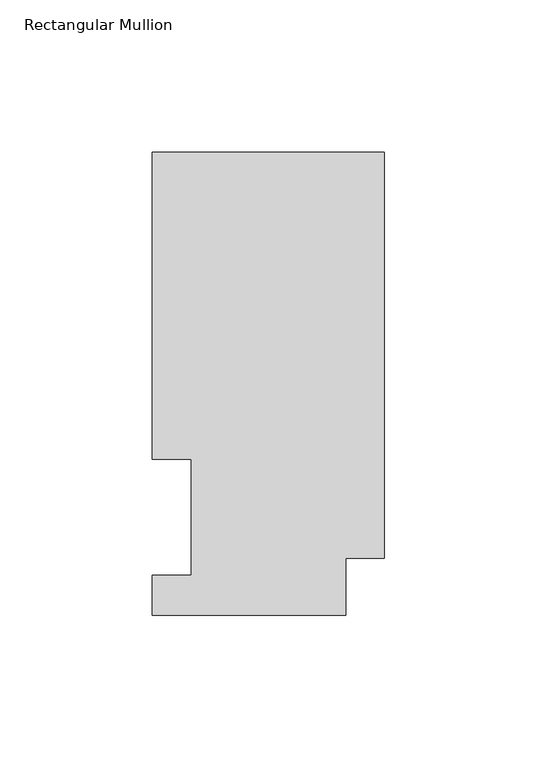
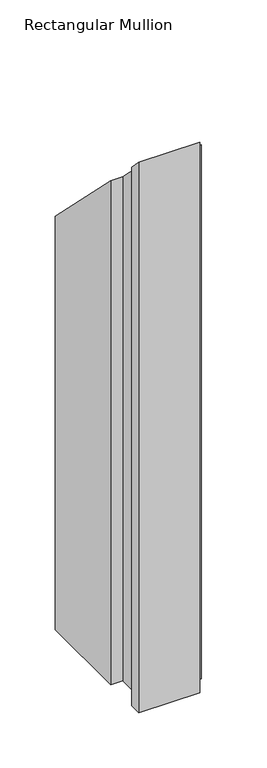
"""IFC4 building model written with IfcOpenShell, lengths in millimetres: member geometry, Rectangular Mullion."""

from ifc_helpers import new_model, si_unit, origin, place, context, project, spatial, faceted_brep, source, transform, mapped, element, save


def rectangular_mullion_f203d0af(model_context):
    return source(origin(), model_context, "Body", "Brep", [
        faceted_brep([(0.0, 151.9816938, -609.6), (0.0, 18.7332938, -609.6), (-12.7, 18.7332938, -609.6), (-12.7, 0.0134937, -609.6), (-76.2, 0.0134937, -609.6), (-76.2, 13.1960937, -609.6), (-63.5, 13.1960937, -609.6), (-63.5, 51.2960937, -609.6), (-76.2, 51.2960937, -609.6), (-76.2, 151.9816937, -609.6), (-76.2, 151.9816937, -151.9816937), (0.0, 151.9816938, -151.9816938), (-76.2, 51.2960937, -51.2960937), (-63.5, 51.2960937, -51.2960937), (-63.5, 13.1960937, -13.1960937), (-76.2, 13.1960937, -13.1960937), (-76.2, 0.0134937, -0.0134937), (-12.7, 0.0134937, -0.0134937), (-12.7, 18.7332938, -18.7332938), (0.0, 18.7332938, -18.7332938)], [[[0, 1, 2, 3, 4, 5, 6, 7, 8, 9]], [[10, 11, 0, 9]], [[12, 10, 9, 8]], [[13, 12, 8, 7]], [[14, 13, 7, 6]], [[15, 14, 6, 5]], [[16, 15, 5, 4]], [[17, 16, 4, 3]], [[18, 17, 3, 2]], [[19, 18, 2, 1]], [[11, 19, 1, 0]], [[11, 10, 12, 13, 14, 15, 16, 17, 18, 19]]]),
    ])


if __name__ == "__main__":
    model = new_model("IFC4")
    model_context = context("Model", 3, world=origin())
    ifc_project = project(units=[si_unit("LENGTHUNIT", "METRE", prefix="MILLI")], contexts=[model_context])
    site = spatial("IfcSite", under=ifc_project)
    building = spatial("IfcBuilding", under=site)
    placement = place(None, origin())
    rectangular_mullion_shape = rectangular_mullion_f203d0af(model_context)
    element("IfcMember", 1, ObjectType="Rectangular Mullion", at=placement, inside=building, context=model_context, shape_type="MappedRepresentation", body=[
        mapped(rectangular_mullion_shape, transform((0.0, 0.0, 0.0), x_axis=(1.0, 0.0, 0.0), y_axis=(0.0, 1.0, 0.0), z_axis=(0.0, 0.0, 1.0))),
    ])
    save(model, "model.ifc")
